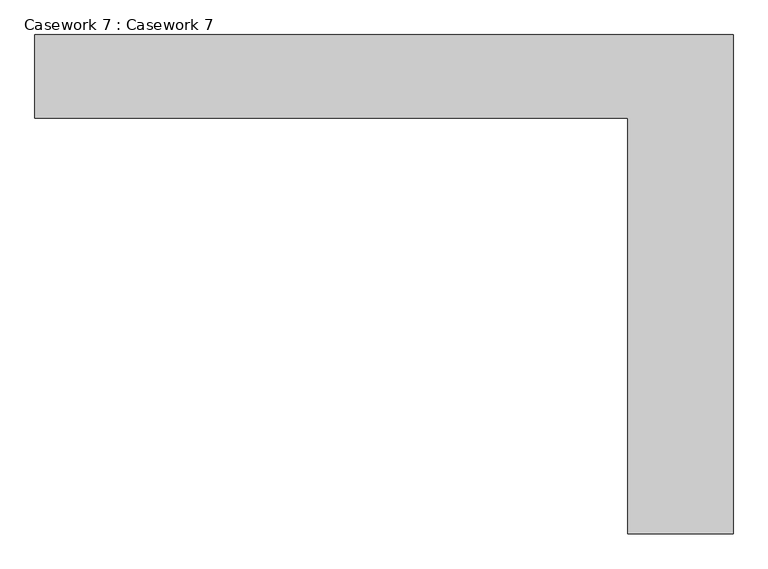
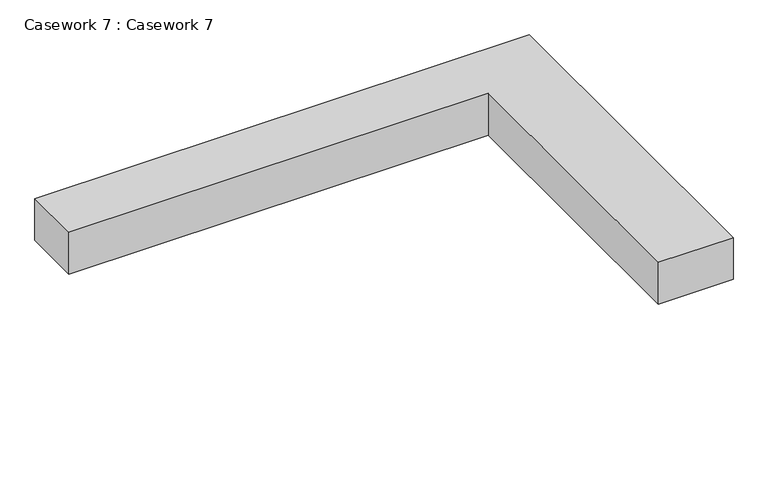
"""IFC4 building model written with IfcOpenShell, lengths in millimetres: furniture geometry, Casework 7 : Casework 7."""

from ifc_helpers import new_model, si_unit, frame, origin, place, context, project, spatial, polyline, outline, extrude, source, transform, mapped, element, save


def casework_7_casework_7_3635440b(model_context):
    return source(origin(), model_context, "Body", "SweptSolid", [
        extrude(outline(polyline([(-1494.330083, -1330.2431302), (-1494.330083, -3768.6961248), (-2009.102913, -3768.6961248), (-2009.102913, -1736.6431302), (-4904.702913, -1736.6431302), (-4904.702913, -1330.2431302), (-1494.330083, -1330.2431302)])), frame((0.0, 0.0, 3048.0), z_axis=(0.0, 0.0, 1.0), x_axis=(1.0, 0.0, 0.0)), (0.0, 0.0, 1.0), 304.8),
    ])


if __name__ == "__main__":
    model = new_model("IFC4")
    model_context = context("Model", 3, world=origin())
    ifc_project = project(units=[si_unit("LENGTHUNIT", "METRE", prefix="MILLI")], contexts=[model_context])
    site = spatial("IfcSite", under=ifc_project)
    building = spatial("IfcBuilding", under=site)
    placement = place(None, origin())
    casework_7_casework_7_shape = casework_7_casework_7_3635440b(model_context)
    element("IfcFurniture", 1, ObjectType="Casework 7 : Casework 7", at=placement, inside=building, context=model_context, shape_type="MappedRepresentation", body=[
        mapped(casework_7_casework_7_shape, transform((0.0, 0.0, 0.0), x_axis=(1.0, 0.0, 0.0), y_axis=(0.0, 1.0, 0.0), z_axis=(0.0, 0.0, 1.0))),
    ])
    save(model, "model.ifc")
